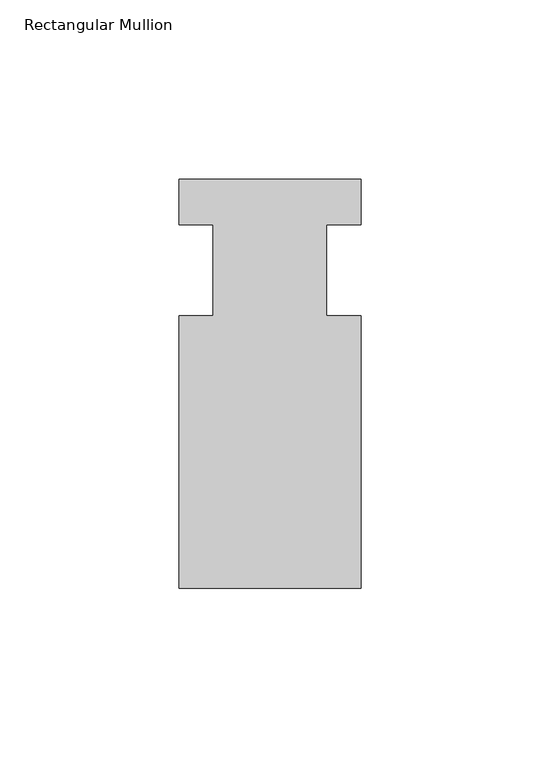
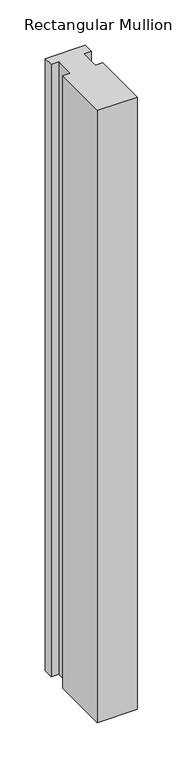
"""IFC4 building model written with IfcOpenShell, lengths in millimetres: member geometry, Rectangular Mullion."""

from ifc_helpers import new_model, si_unit, frame, origin, place, context, project, spatial, polyline, outline, extrude, source, transform, mapped, element, save


def rectangular_mullion_0a00bef2(model_context):
    return source(origin(), model_context, "Body", "SweptSolid", [
        extrude(outline(polyline([(25.4, -101.6), (-25.4, -101.6), (-25.4, -25.4), (-15.875, -25.4), (-15.875, 0.0), (-25.4, 0.0), (-25.4, 12.7), (25.4, 12.7), (25.4, 0.0), (15.875, 0.0), (15.875, -25.4), (25.4, -25.4), (25.4, -101.6)])), frame((0.0, 0.0, -822.325), z_axis=(0.0, 0.0, 1.0), x_axis=(1.0, 0.0, 0.0)), (0.0, 0.0, 1.0), 822.325),
    ])


if __name__ == "__main__":
    model = new_model("IFC4")
    model_context = context("Model", 3, world=origin())
    ifc_project = project(units=[si_unit("LENGTHUNIT", "METRE", prefix="MILLI")], contexts=[model_context])
    site = spatial("IfcSite", under=ifc_project)
    building = spatial("IfcBuilding", under=site)
    placement = place(None, origin())
    rectangular_mullion_shape = rectangular_mullion_0a00bef2(model_context)
    element("IfcMember", 1, ObjectType="Rectangular Mullion", at=placement, inside=building, context=model_context, shape_type="MappedRepresentation", body=[
        mapped(rectangular_mullion_shape, transform((0.0, 0.0, 0.0), x_axis=(1.0, 0.0, 0.0), y_axis=(0.0, 1.0, 0.0), z_axis=(0.0, 0.0, 1.0))),
    ])
    save(model, "model.ifc")
